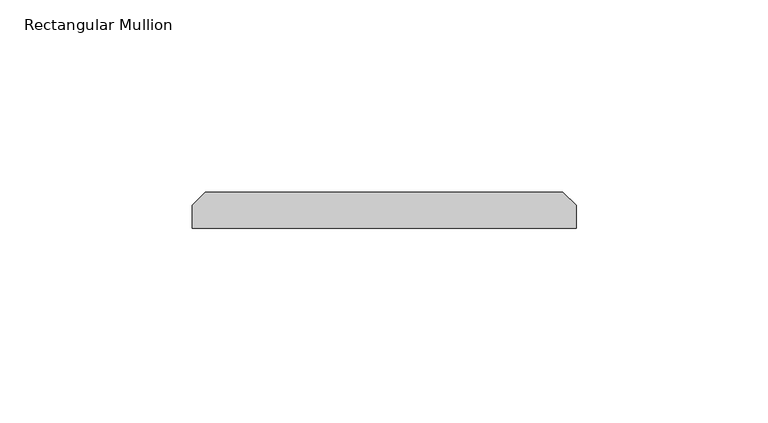
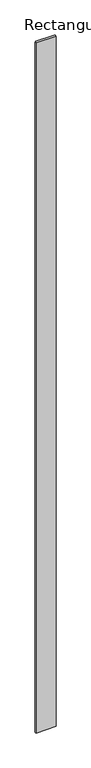
"""IFC4 building model written with IfcOpenShell, lengths in millimetres: member geometry, Rectangular Mullion."""

from ifc_helpers import new_model, si_unit, frame, origin, place, context, project, spatial, polyline, outline, extrude, source, transform, mapped, element, save


def rectangular_mullion_7ff369e0(model_context):
    return source(origin(), model_context, "Body", "SweptSolid", [
        extrude(outline(polyline([(50.0, 0.0), (-50.0, 0.0), (-50.0, 6.0), (-46.5, 9.5), (46.5, 9.5), (50.0, 6.0), (50.0, 0.0)])), frame((0.0, 0.0, -3600.0), z_axis=(0.0, 0.0, 1.0), x_axis=(1.0, 0.0, 0.0)), (0.0, 0.0, 1.0), 3600.0),
    ])


if __name__ == "__main__":
    model = new_model("IFC4")
    model_context = context("Model", 3, world=origin())
    ifc_project = project(units=[si_unit("LENGTHUNIT", "METRE", prefix="MILLI")], contexts=[model_context])
    site = spatial("IfcSite", under=ifc_project)
    building = spatial("IfcBuilding", under=site)
    placement = place(None, origin())
    rectangular_mullion_shape = rectangular_mullion_7ff369e0(model_context)
    element("IfcMember", 1, ObjectType="Rectangular Mullion", at=placement, inside=building, context=model_context, shape_type="MappedRepresentation", body=[
        mapped(rectangular_mullion_shape, transform((0.0, 0.0, 0.0), x_axis=(1.0, 0.0, 0.0), y_axis=(0.0, 1.0, 0.0), z_axis=(0.0, 0.0, 1.0))),
    ])
    save(model, "model.ifc")
